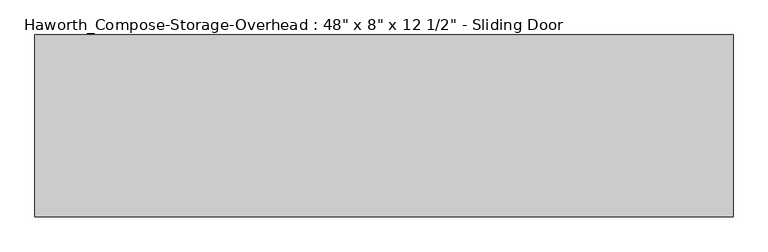
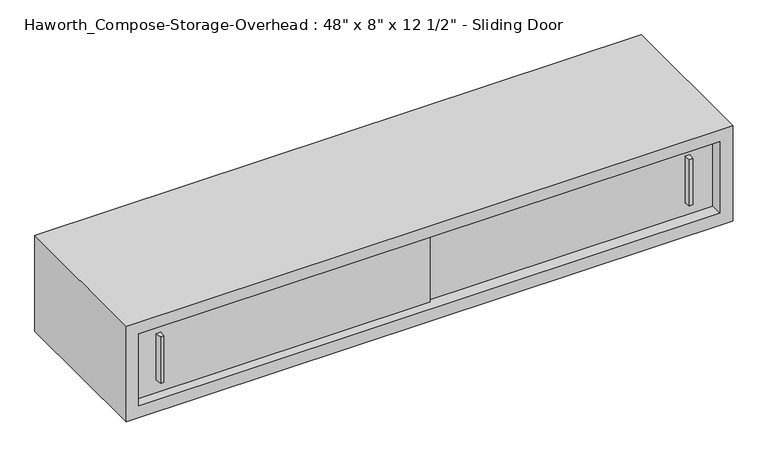
"""IFC4 building model written with IfcOpenShell, lengths in millimetres: furniture geometry."""

from ifc_helpers import new_model, si_unit, frame, origin, place, context, project, spatial, polyline, outline, extrude, source, transform, mapped, element, save


def furniture_ae245d15(model_context):
    return source(origin(), model_context, "Body", "SweptSolid", [
        extrude(outline(polyline([(701.6750004, -304.7999879), (695.3249996, -304.7999879), (693.7375011, -292.1), (703.2624989, -292.1), (701.6750004, -304.7999879)])), frame((0.0, 0.0, 1093.7875), z_axis=(0.0, 0.0, 1.0), x_axis=(1.0, 0.0, 0.0)), (0.0, 0.0, 1.0), 98.425),
        extrude(outline(polyline([(-365.1249996, -311.1499879), (-371.4750004, -311.1499879), (-373.0624989, -298.45), (-363.5375011, -298.45), (-365.1249996, -311.1499879)])), frame((0.0, 0.0, 1093.7875), z_axis=(0.0, 0.0, 1.0), x_axis=(1.0, 0.0, 0.0)), (0.0, 0.0, 1.0), 98.425),
        extrude(outline(polyline([(-419.1, -292.1), (177.8, -292.1), (177.8, -298.45), (-419.1, -298.45), (-419.1, -292.1)])), frame((0.0, 0.0, 1066.8), z_axis=(0.0, 0.0, 1.0), x_axis=(1.0, 0.0, 0.0)), (0.0, 0.0, 1.0), 152.4),
        extrude(outline(polyline([(152.4, -285.75), (749.3, -285.75), (749.3, -292.1), (152.4, -292.1), (152.4, -285.75)])), frame((0.0, 0.0, 1066.8), z_axis=(0.0, 0.0, 1.0), x_axis=(1.0, 0.0, 0.0)), (0.0, 0.0, 1.0), 152.4),
        extrude(outline(polyline([(749.3, -6.35), (-419.1, -6.35), (-419.1, 0.0), (749.3, 0.0), (749.3, -6.35)])), frame((0.0, 0.0, 1066.8), z_axis=(0.0, 0.0, 1.0), x_axis=(1.0, 0.0, 0.0)), (0.0, 0.0, 1.0), 152.4),
        extrude(outline(polyline([(1041.4, 774.7), (1244.6, 774.7), (1244.6, -444.5), (1041.4, -444.5), (1041.4, 774.7)]), holes=[polyline([(1219.2, 749.3), (1066.8, 749.3), (1066.8, -419.1), (1219.2, -419.1), (1219.2, 749.3)])]), frame((0.0, -317.5, 0.0), z_axis=(0.0, 1.0, 0.0), x_axis=(0.0, 0.0, 1.0)), (0.0, 0.0, 1.0), 317.5),
    ])


if __name__ == "__main__":
    model = new_model("IFC4")
    model_context = context("Model", 3, world=origin())
    ifc_project = project(units=[si_unit("LENGTHUNIT", "METRE", prefix="MILLI")], contexts=[model_context])
    site = spatial("IfcSite", under=ifc_project)
    building = spatial("IfcBuilding", under=site)
    placement = place(None, origin())
    furniture_shape = furniture_ae245d15(model_context)
    element("IfcFurniture", 1, ObjectType="Haworth_Compose-Storage-Overhead : 48\" x 8\" x 12 1/2\" - Sliding Door", at=placement, inside=building, context=model_context, shape_type="MappedRepresentation", body=[
        mapped(furniture_shape, transform((0.0, 0.0, 0.0), x_axis=(1.0, 0.0, 0.0), y_axis=(0.0, 1.0, 0.0), z_axis=(0.0, 0.0, 1.0))),
    ])
    save(model, "model.ifc")
